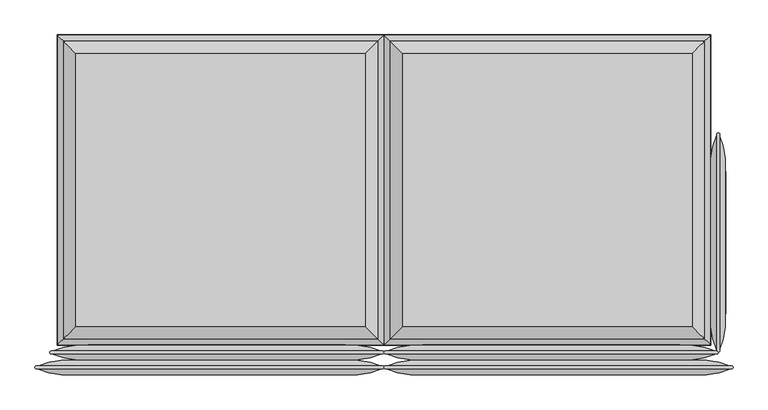
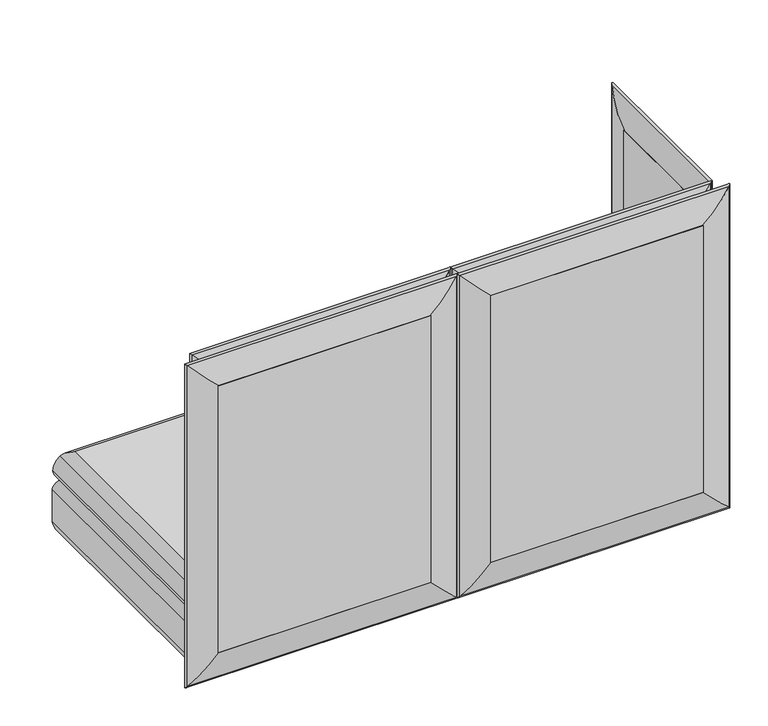
"""IFC4 building model written with IfcOpenShell, lengths in millimetres: furniture geometry."""

from ifc_helpers import new_model, si_unit, frame, origin, place, context, project, spatial, polyline, ellipse_curve, outline, extrude, source, transform, mapped, element, save
from ifc_brep_helpers import plane_surface, cylinder_surface, advanced_brep


def furniture_f035ea51(model_context):
    return source(origin(), model_context, "Body", "SolidModel", [
        advanced_brep(
        [(815.975, 403.225, 329.9006118), (-815.975, 403.225, 329.9006118), (-815.975, -352.425, 329.9006118), (815.975, -352.425, 329.9006118), (815.975, -352.425, 142.5756118), (-815.975, -352.425, 142.5756118), (-815.975, 403.225, 142.5756118), (815.975, 403.225, 142.5756118), (835.0111528, -371.4611528, 291.910987), (835.0111528, 422.2611528, 291.910987), (835.025, -371.475, 181.4038342), (835.025, 422.275, 181.4038342), (835.025, 422.275, 291.0723894), (835.025, -371.475, 291.0723894), (835.0111528, 422.2611528, 180.5652366), (835.0111528, -371.4611528, 180.5652366), (-835.0111528, 422.2611528, 291.910987), (-835.025, 422.275, 181.4038342), (-835.025, 422.275, 291.0723894), (-835.0111528, 422.2611528, 180.5652366), (-835.0111528, -371.4611528, 291.910987), (-835.025, -371.475, 181.4038342), (-835.025, -371.475, 291.0723894), (-835.0111528, -371.4611528, 180.5652366)],
        [
            (0, 1),
            (1, 2),
            (2, 3),
            (3, 0),
            (4, 5),
            (5, 6),
            (6, 7),
            (7, 4),
            (8, 9),
            (9, 0, ellipse_curve(frame((784.2388472, 371.4888472, 290.2337918), z_axis=(0.7071067811865475, -0.7071067811865475, 0.0), x_axis=(-0.7071067811865474, -0.7071067811865476, 0.0)), 71.842049, 50.8)),
            (3, 8, ellipse_curve(frame((784.2388472, -320.6888472, 290.2337918), z_axis=(0.7071067811865475, 0.7071067811865475, 0.0), x_axis=(0.7071067811865474, -0.7071067811865476, 0.0)), 71.842049, 50.8)),
            (10, 11),
            (11, 12),
            (12, 13),
            (13, 10),
            (7, 14, ellipse_curve(frame((784.2388472, 371.4888472, 182.2424317), z_axis=(0.7071067811865475, -0.7071067811865475, 0.0), x_axis=(-0.7071067811865474, -0.7071067811865476, 0.0)), 71.842049, 50.8)),
            (14, 15),
            (15, 4, ellipse_curve(frame((784.2388472, -320.6888472, 182.2424317), z_axis=(0.7071067811865475, 0.7071067811865475, 0.0), x_axis=(0.7071067811865474, -0.7071067811865476, 0.0)), 71.842049, 50.8)),
            (9, 16),
            (16, 1, ellipse_curve(frame((-784.2388472, 371.4888472, 290.2337918), z_axis=(0.7071067811865475, 0.7071067811865475, 0.0), x_axis=(0.7071067811865476, -0.7071067811865474, 0.0)), 71.842049, 50.8)),
            (11, 17),
            (17, 18),
            (18, 12),
            (6, 19, ellipse_curve(frame((-784.2388472, 371.4888472, 182.2424317), z_axis=(0.7071067811865475, 0.7071067811865475, 0.0), x_axis=(0.7071067811865476, -0.7071067811865474, 0.0)), 71.842049, 50.8)),
            (19, 14),
            (16, 20),
            (20, 2, ellipse_curve(frame((-784.2388472, -320.6888472, 290.2337918), z_axis=(-0.7071067811865475, 0.7071067811865475, 0.0), x_axis=(0.7071067811865474, 0.7071067811865476, 0.0)), 71.842049, 50.8)),
            (17, 21),
            (21, 22),
            (22, 18),
            (5, 23, ellipse_curve(frame((-784.2388472, -320.6888472, 182.2424317), z_axis=(-0.7071067811865475, 0.7071067811865475, 0.0), x_axis=(0.7071067811865474, 0.7071067811865476, 0.0)), 71.842049, 50.8)),
            (23, 19),
            (20, 8),
            (13, 22),
            (21, 10),
            (15, 23),
            (8, 13, ellipse_curve(frame((809.625, -346.075, 291.0723894), z_axis=(0.7071067811865475, 0.7071067811865475, 0.0), x_axis=(0.7071067811865474, -0.7071067811865476, 0.0)), 35.9210245, 25.4)),
            (12, 9, ellipse_curve(frame((809.625, 396.875, 291.0723894), z_axis=(0.7071067811865475, -0.7071067811865475, 0.0), x_axis=(-0.7071067811865474, -0.7071067811865476, 0.0)), 35.9210245, 25.4)),
            (10, 15, ellipse_curve(frame((809.625, -346.075, 181.4038342), z_axis=(0.7071067811865475, 0.7071067811865475, 0.0), x_axis=(0.7071067811865474, -0.7071067811865476, 0.0)), 35.9210245, 25.4)),
            (14, 11, ellipse_curve(frame((809.625, 396.875, 181.4038342), z_axis=(0.7071067811865475, -0.7071067811865475, 0.0), x_axis=(-0.7071067811865474, -0.7071067811865476, 0.0)), 35.9210245, 25.4)),
            (18, 16, ellipse_curve(frame((-809.625, 396.875, 291.0723894), z_axis=(0.7071067811865475, 0.7071067811865475, 0.0), x_axis=(0.7071067811865476, -0.7071067811865474, 0.0)), 35.9210245, 25.4)),
            (19, 17, ellipse_curve(frame((-809.625, 396.875, 181.4038342), z_axis=(0.7071067811865475, 0.7071067811865475, 0.0), x_axis=(0.7071067811865476, -0.7071067811865474, 0.0)), 35.9210245, 25.4)),
            (22, 20, ellipse_curve(frame((-809.625, -346.075, 291.0723894), z_axis=(-0.7071067811865475, 0.7071067811865475, 0.0), x_axis=(0.7071067811865474, 0.7071067811865476, 0.0)), 35.9210245, 25.4)),
            (23, 21, ellipse_curve(frame((-809.625, -346.075, 181.4038342), z_axis=(-0.7071067811865475, 0.7071067811865475, 0.0), x_axis=(0.7071067811865474, 0.7071067811865476, 0.0)), 35.9210245, 25.4)),
        ],
        [
            plane_surface(frame((-815.975, -352.425, 329.9006118), z_axis=(0.0, 0.0, 1.0), x_axis=(-1.0, 0.0, 0.0))),
            plane_surface(frame((-815.975, -352.425, 142.5756118), z_axis=(0.0, 0.0, -1.0), x_axis=(1.0, 0.0, 0.0))),
            cylinder_surface(frame((784.2388472, -371.475, 290.2337918), z_axis=(0.0, -1.0, 0.0), x_axis=(1.0, 0.0, 0.0)), 50.8),
            plane_surface(frame((835.025, -371.475, 291.0723894), z_axis=(1.0, 0.0, 0.0), x_axis=(0.0, 1.0, 0.0))),
            cylinder_surface(frame((784.2388472, -371.475, 182.2424317), z_axis=(0.0, -1.0, 0.0), x_axis=(1.0, 0.0, 0.0)), 50.8),
            cylinder_surface(frame((835.025, 371.4888472, 290.2337918), z_axis=(1.0, 0.0, 0.0), x_axis=(0.0, 1.0, 0.0)), 50.8),
            plane_surface(frame((835.025, 422.275, 291.0723894), z_axis=(0.0, 1.0, 0.0), x_axis=(-1.0, 0.0, 0.0))),
            cylinder_surface(frame((835.025, 371.4888472, 182.2424317), z_axis=(1.0, 0.0, 0.0), x_axis=(0.0, 1.0, 0.0)), 50.8),
            cylinder_surface(frame((-784.2388472, 422.275, 290.2337918), z_axis=(0.0, 1.0, 0.0), x_axis=(-1.0, 0.0, 0.0)), 50.8),
            plane_surface(frame((-835.025, 422.275, 291.0723894), z_axis=(-1.0, 0.0, 0.0), x_axis=(0.0, -1.0, 0.0))),
            cylinder_surface(frame((-784.2388472, 422.275, 182.2424317), z_axis=(0.0, 1.0, 0.0), x_axis=(-1.0, 0.0, 0.0)), 50.8),
            cylinder_surface(frame((-835.025, -320.6888472, 290.2337918), z_axis=(-1.0, 0.0, 0.0), x_axis=(0.0, -1.0, 0.0)), 50.8),
            plane_surface(frame((-835.025, -371.475, 291.0723894), z_axis=(0.0, -1.0, 0.0), x_axis=(1.0, 0.0, 0.0))),
            cylinder_surface(frame((-835.025, -320.6888472, 182.2424317), z_axis=(-1.0, 0.0, 0.0), x_axis=(0.0, -1.0, 0.0)), 50.8),
            cylinder_surface(frame((809.625, -371.475, 291.0723894), z_axis=(0.0, -1.0, 0.0), x_axis=(1.0, 0.0, 0.0)), 25.4),
            cylinder_surface(frame((809.625, -371.475, 181.4038342), z_axis=(0.0, -1.0, 0.0), x_axis=(1.0, 0.0, 0.0)), 25.4),
            cylinder_surface(frame((835.025, 396.875, 291.0723894), z_axis=(1.0, 0.0, 0.0), x_axis=(0.0, 1.0, 0.0)), 25.4),
            cylinder_surface(frame((835.025, 396.875, 181.4038342), z_axis=(1.0, 0.0, 0.0), x_axis=(0.0, 1.0, 0.0)), 25.4),
            cylinder_surface(frame((-809.625, 422.275, 291.0723894), z_axis=(0.0, 1.0, 0.0), x_axis=(-1.0, 0.0, 0.0)), 25.4),
            cylinder_surface(frame((-809.625, 422.275, 181.4038342), z_axis=(0.0, 1.0, 0.0), x_axis=(-1.0, 0.0, 0.0)), 25.4),
            cylinder_surface(frame((-835.025, -346.075, 291.0723894), z_axis=(-1.0, 0.0, 0.0), x_axis=(0.0, -1.0, 0.0)), 25.4),
            cylinder_surface(frame((-835.025, -346.075, 181.4038342), z_axis=(-1.0, 0.0, 0.0), x_axis=(0.0, -1.0, 0.0)), 25.4),
        ],
        [
            (0, [[1, 2, 3, 4]]),
            (1, [[5, 6, 7, 8]]),
            (2, [[9, 10, -4, 11]]),
            (3, [[12, 13, 14, 15]]),
            (4, [[-8, 16, 17, 18]]),
            (5, [[19, 20, -1, -10]]),
            (6, [[21, 22, 23, -13]]),
            (7, [[-7, 24, 25, -16]]),
            (8, [[26, 27, -2, -20]]),
            (9, [[28, 29, 30, -22]]),
            (10, [[-6, 31, 32, -24]]),
            (11, [[-3, -27, 33, -11]]),
            (12, [[34, -29, 35, -15]]),
            (13, [[36, -31, -5, -18]]),
            (14, [[37, -14, 38, -9]]),
            (15, [[39, -17, 40, -12]]),
            (16, [[-38, -23, 41, -19]]),
            (17, [[-40, -25, 42, -21]]),
            (18, [[-41, -30, 43, -26]]),
            (19, [[-42, -32, 44, -28]]),
            (20, [[-43, -34, -37, -33]]),
            (21, [[-44, -36, -39, -35]]),
        ],
    ),
        advanced_brep(
        [(808.5131705, 395.7631705, 330.2), (808.5131705, -344.9631705, 330.2), (26.5118295, -344.9631705, 330.2), (26.5118295, 395.7631705, 330.2), (833.9111903, 421.1611903, 355.9171647), (833.9111903, -370.3611903, 355.9171647), (1.1138097, 421.1611903, 355.9171647), (1.1138097, -370.3611903, 355.9171647), (787.4, 374.65, 434.975), (47.625, 374.65, 434.975), (47.625, -323.85, 434.975), (787.4, -323.85, 434.975), (818.6566677, -355.1066677, 412.0276231), (818.6566677, 405.9066677, 412.0276231), (16.3683323, 405.9066677, 412.0276231), (16.3683323, -355.1066677, 412.0276231)],
        [
            (0, 1),
            (1, 2),
            (2, 3),
            (3, 0),
            (0, 4, ellipse_curve(frame((808.5131705, 395.7631705, 355.6), z_axis=(0.7071067811865471, -0.7071067811865478, 0.0), x_axis=(-0.7071067811865476, -0.7071067811865474, 0.0)), 35.9210245, 25.4)),
            (4, 5),
            (5, 1, ellipse_curve(frame((808.5131705, -344.9631705, 355.6), z_axis=(0.7071067811865478, 0.7071067811865471, 0.0), x_axis=(0.707106781186547, -0.707106781186548, 0.0)), 35.9210245, 25.4)),
            (3, 6, ellipse_curve(frame((26.5118295, 395.7631705, 355.6), z_axis=(0.7071067811865478, 0.7071067811865471, 0.0), x_axis=(0.7071067811865474, -0.7071067811865476, 0.0)), 35.9210245, 25.4)),
            (6, 4),
            (2, 7, ellipse_curve(frame((26.5118295, -344.9631705, 355.6), z_axis=(-0.7071067811865471, 0.7071067811865478, 0.0), x_axis=(0.7071067811865476, 0.7071067811865474, 0.0)), 35.9210245, 25.4)),
            (7, 6),
            (5, 7),
            (8, 9),
            (9, 10),
            (10, 11),
            (11, 8),
            (12, 13),
            (13, 8, ellipse_curve(frame((777.2731381, 364.5231381, 388.4201083), z_axis=(0.7071067811865471, -0.7071067811865478, 0.0), x_axis=(-0.7071067811865476, -0.7071067811865474, 0.0)), 67.3782053, 47.6435859)),
            (11, 12, ellipse_curve(frame((777.2731381, -313.7231381, 388.4201083), z_axis=(0.7071067811865478, 0.7071067811865471, 0.0), x_axis=(0.707106781186547, -0.707106781186548, 0.0)), 67.3782053, 47.6435859)),
            (4, 13, ellipse_curve(frame((717.7532966, 305.0032966, 354.4666114), z_axis=(0.7071067811865471, -0.7071067811865478, 0.0), x_axis=(-0.7071067811865476, -0.7071067811865474, 0.0)), 164.2848767, 116.1669504)),
            (12, 5, ellipse_curve(frame((717.7532966, -254.2032966, 354.4666114), z_axis=(0.7071067811865478, 0.7071067811865471, 0.0), x_axis=(0.707106781186547, -0.707106781186548, 0.0)), 164.2848767, 116.1669504)),
            (13, 14),
            (14, 9, ellipse_curve(frame((57.7518619, 364.5231381, 388.4201083), z_axis=(0.7071067811865478, 0.7071067811865471, 0.0), x_axis=(0.7071067811865474, -0.7071067811865476, 0.0)), 67.3782053, 47.6435859)),
            (6, 14, ellipse_curve(frame((117.2717034, 305.0032966, 354.4666114), z_axis=(0.7071067811865478, 0.7071067811865471, 0.0), x_axis=(0.7071067811865474, -0.7071067811865476, 0.0)), 164.2848767, 116.1669504)),
            (14, 15),
            (15, 10, ellipse_curve(frame((57.7518619, -313.7231381, 388.4201083), z_axis=(-0.7071067811865471, 0.7071067811865478, 0.0), x_axis=(0.7071067811865476, 0.7071067811865474, 0.0)), 67.3782053, 47.6435859)),
            (7, 15, ellipse_curve(frame((117.2717034, -254.2032966, 354.4666114), z_axis=(-0.7071067811865471, 0.7071067811865478, 0.0), x_axis=(0.7071067811865476, 0.7071067811865474, 0.0)), 164.2848767, 116.1669504)),
            (15, 12),
        ],
        [
            plane_surface(frame((26.5118295, -344.9631705, 330.2), z_axis=(0.0, 0.0, -1.0), x_axis=(1.0, 0.0, 0.0))),
            cylinder_surface(frame((808.5131705, -371.475, 355.6), z_axis=(0.0, -1.0000000000000002, 0.0), x_axis=(1.0000000000000002, 0.0, 0.0)), 25.4),
            cylinder_surface(frame((835.025, 395.7631705, 355.6), z_axis=(1.0000000000000002, 0.0, 0.0), x_axis=(0.0, 1.0000000000000002, 0.0)), 25.4),
            cylinder_surface(frame((26.5118295, 422.275, 355.6), z_axis=(0.0, 1.0000000000000002, 0.0), x_axis=(-1.0000000000000002, 0.0, 0.0)), 25.4),
            cylinder_surface(frame((0.0, -344.9631705, 355.6), z_axis=(-1.0000000000000002, 0.0, 0.0), x_axis=(0.0, -1.0000000000000002, 0.0)), 25.4),
            plane_surface(frame((47.625, -323.85, 434.975), z_axis=(0.0, 0.0, 1.0), x_axis=(-1.0, 0.0, 0.0))),
            cylinder_surface(frame((777.2731381, -371.475, 388.4201083), z_axis=(0.0, -1.0000000000000002, 0.0), x_axis=(1.0000000000000002, 0.0, 0.0)), 47.6435859),
            cylinder_surface(frame((717.7532966, -371.475, 354.4666114), z_axis=(0.0, -1.0000000000000002, 0.0), x_axis=(1.0000000000000002, 0.0, 0.0)), 116.1669504),
            cylinder_surface(frame((835.025, 364.5231381, 388.4201083), z_axis=(1.0000000000000002, 0.0, 0.0), x_axis=(0.0, 1.0000000000000002, 0.0)), 47.6435859),
            cylinder_surface(frame((835.025, 305.0032966, 354.4666114), z_axis=(1.0000000000000002, 0.0, 0.0), x_axis=(0.0, 1.0000000000000002, 0.0)), 116.1669504),
            cylinder_surface(frame((57.7518619, 422.275, 388.4201083), z_axis=(0.0, 1.0000000000000002, 0.0), x_axis=(-1.0000000000000002, 0.0, 0.0)), 47.6435859),
            cylinder_surface(frame((117.2717034, 422.275, 354.4666114), z_axis=(0.0, 1.0000000000000002, 0.0), x_axis=(-1.0000000000000002, 0.0, 0.0)), 116.1669504),
            cylinder_surface(frame((0.0, -313.7231381, 388.4201083), z_axis=(-1.0000000000000002, 0.0, 0.0), x_axis=(0.0, -1.0000000000000002, 0.0)), 47.6435859),
            cylinder_surface(frame((0.0, -254.2032966, 354.4666114), z_axis=(-1.0000000000000002, 0.0, 0.0), x_axis=(0.0, -1.0000000000000002, 0.0)), 116.1669504),
        ],
        [
            (0, [[1, 2, 3, 4]]),
            (1, [[5, 6, 7, -1]]),
            (2, [[8, 9, -5, -4]]),
            (3, [[10, 11, -8, -3]]),
            (4, [[-7, 12, -10, -2]]),
            (5, [[13, 14, 15, 16]]),
            (6, [[17, 18, -16, 19]]),
            (7, [[20, -17, 21, -6]]),
            (8, [[22, 23, -13, -18]]),
            (9, [[24, -22, -20, -9]]),
            (10, [[25, 26, -14, -23]]),
            (11, [[27, -25, -24, -11]]),
            (12, [[-15, -26, 28, -19]]),
            (13, [[-21, -28, -27, -12]]),
        ],
    ),
        advanced_brep(
        [(-26.5118295, 395.7631705, 330.2), (-26.5118295, -344.9631705, 330.2), (-808.5131705, -344.9631705, 330.2), (-808.5131705, 395.7631705, 330.2), (-1.1138097, 421.1611903, 355.9171647), (-1.1138097, -370.3611903, 355.9171647), (-833.9111903, 421.1611903, 355.9171647), (-833.9111903, -370.3611903, 355.9171647), (-47.625, 374.65, 434.975), (-787.4, 374.65, 434.975), (-787.4, -323.85, 434.975), (-47.625, -323.85, 434.975), (-16.3683323, -355.1066677, 412.0276231), (-16.3683323, 405.9066677, 412.0276231), (-818.6566677, 405.9066677, 412.0276231), (-818.6566677, -355.1066677, 412.0276231)],
        [
            (0, 1),
            (1, 2),
            (2, 3),
            (3, 0),
            (0, 4, ellipse_curve(frame((-26.5118295, 395.7631705, 355.6), z_axis=(0.7071067811865471, -0.7071067811865478, 0.0), x_axis=(-0.7071067811865476, -0.7071067811865474, 0.0)), 35.9210245, 25.4)),
            (4, 5),
            (5, 1, ellipse_curve(frame((-26.5118295, -344.9631705, 355.6), z_axis=(0.7071067811865478, 0.7071067811865471, 0.0), x_axis=(0.707106781186547, -0.707106781186548, 0.0)), 35.9210245, 25.4)),
            (3, 6, ellipse_curve(frame((-808.5131705, 395.7631705, 355.6), z_axis=(0.7071067811865478, 0.7071067811865471, 0.0), x_axis=(0.7071067811865474, -0.7071067811865476, 0.0)), 35.9210245, 25.4)),
            (6, 4),
            (2, 7, ellipse_curve(frame((-808.5131705, -344.9631705, 355.6), z_axis=(-0.7071067811865471, 0.7071067811865478, 0.0), x_axis=(0.7071067811865476, 0.7071067811865474, 0.0)), 35.9210245, 25.4)),
            (7, 6),
            (5, 7),
            (8, 9),
            (9, 10),
            (10, 11),
            (11, 8),
            (12, 13),
            (13, 8, ellipse_curve(frame((-57.7518619, 364.5231381, 388.4201083), z_axis=(0.7071067811865471, -0.7071067811865478, 0.0), x_axis=(-0.7071067811865476, -0.7071067811865474, 0.0)), 67.3782053, 47.6435859)),
            (11, 12, ellipse_curve(frame((-57.7518619, -313.7231381, 388.4201083), z_axis=(0.7071067811865478, 0.7071067811865471, 0.0), x_axis=(0.707106781186547, -0.707106781186548, 0.0)), 67.3782053, 47.6435859)),
            (4, 13, ellipse_curve(frame((-117.2717034, 305.0032966, 354.4666114), z_axis=(0.7071067811865471, -0.7071067811865478, 0.0), x_axis=(-0.7071067811865476, -0.7071067811865474, 0.0)), 164.2848767, 116.1669504)),
            (12, 5, ellipse_curve(frame((-117.2717034, -254.2032966, 354.4666114), z_axis=(0.7071067811865478, 0.7071067811865471, 0.0), x_axis=(0.707106781186547, -0.707106781186548, 0.0)), 164.2848767, 116.1669504)),
            (13, 14),
            (14, 9, ellipse_curve(frame((-777.2731381, 364.5231381, 388.4201083), z_axis=(0.7071067811865478, 0.7071067811865471, 0.0), x_axis=(0.7071067811865474, -0.7071067811865476, 0.0)), 67.3782053, 47.6435859)),
            (6, 14, ellipse_curve(frame((-717.7532966, 305.0032966, 354.4666114), z_axis=(0.7071067811865478, 0.7071067811865471, 0.0), x_axis=(0.7071067811865474, -0.7071067811865476, 0.0)), 164.2848767, 116.1669504)),
            (14, 15),
            (15, 10, ellipse_curve(frame((-777.2731381, -313.7231381, 388.4201083), z_axis=(-0.7071067811865471, 0.7071067811865478, 0.0), x_axis=(0.7071067811865476, 0.7071067811865474, 0.0)), 67.3782053, 47.6435859)),
            (7, 15, ellipse_curve(frame((-717.7532966, -254.2032966, 354.4666114), z_axis=(-0.7071067811865471, 0.7071067811865478, 0.0), x_axis=(0.7071067811865476, 0.7071067811865474, 0.0)), 164.2848767, 116.1669504)),
            (15, 12),
        ],
        [
            plane_surface(frame((-808.5131705, -344.9631705, 330.2), z_axis=(0.0, 0.0, -1.0), x_axis=(1.0, 0.0, 0.0))),
            cylinder_surface(frame((-26.5118295, -371.475, 355.6), z_axis=(0.0, -1.0000000000000002, 0.0), x_axis=(1.0000000000000002, 0.0, 0.0)), 25.4),
            cylinder_surface(frame((0.0, 395.7631705, 355.6), z_axis=(1.0000000000000002, 0.0, 0.0), x_axis=(0.0, 1.0000000000000002, 0.0)), 25.4),
            cylinder_surface(frame((-808.5131705, 422.275, 355.6), z_axis=(0.0, 1.0000000000000002, 0.0), x_axis=(-1.0000000000000002, 0.0, 0.0)), 25.4),
            cylinder_surface(frame((-835.025, -344.9631705, 355.6), z_axis=(-1.0000000000000002, 0.0, 0.0), x_axis=(0.0, -1.0000000000000002, 0.0)), 25.4),
            plane_surface(frame((-787.4, -323.85, 434.975), z_axis=(0.0, 0.0, 1.0), x_axis=(-1.0, 0.0, 0.0))),
            cylinder_surface(frame((-57.7518619, -371.475, 388.4201083), z_axis=(0.0, -1.0000000000000002, 0.0), x_axis=(1.0000000000000002, 0.0, 0.0)), 47.6435859),
            cylinder_surface(frame((-117.2717034, -371.475, 354.4666114), z_axis=(0.0, -1.0000000000000002, 0.0), x_axis=(1.0000000000000002, 0.0, 0.0)), 116.1669504),
            cylinder_surface(frame((0.0, 364.5231381, 388.4201083), z_axis=(1.0000000000000002, 0.0, 0.0), x_axis=(0.0, 1.0000000000000002, 0.0)), 47.6435859),
            cylinder_surface(frame((0.0, 305.0032966, 354.4666114), z_axis=(1.0000000000000002, 0.0, 0.0), x_axis=(0.0, 1.0000000000000002, 0.0)), 116.1669504),
            cylinder_surface(frame((-777.2731381, 422.275, 388.4201083), z_axis=(0.0, 1.0000000000000002, 0.0), x_axis=(-1.0000000000000002, 0.0, 0.0)), 47.6435859),
            cylinder_surface(frame((-717.7532966, 422.275, 354.4666114), z_axis=(0.0, 1.0000000000000002, 0.0), x_axis=(-1.0000000000000002, 0.0, 0.0)), 116.1669504),
            cylinder_surface(frame((-835.025, -313.7231381, 388.4201083), z_axis=(-1.0000000000000002, 0.0, 0.0), x_axis=(0.0, -1.0000000000000002, 0.0)), 47.6435859),
            cylinder_surface(frame((-835.025, -254.2032966, 354.4666114), z_axis=(-1.0000000000000002, 0.0, 0.0), x_axis=(0.0, -1.0000000000000002, 0.0)), 116.1669504),
        ],
        [
            (0, [[1, 2, 3, 4]]),
            (1, [[5, 6, 7, -1]]),
            (2, [[8, 9, -5, -4]]),
            (3, [[10, 11, -8, -3]]),
            (4, [[-7, 12, -10, -2]]),
            (5, [[13, 14, 15, 16]]),
            (6, [[17, 18, -16, 19]]),
            (7, [[20, -17, 21, -6]]),
            (8, [[22, 23, -13, -18]]),
            (9, [[24, -22, -20, -9]]),
            (10, [[25, 26, -14, -23]]),
            (11, [[27, -25, -24, -11]]),
            (12, [[-15, -26, 28, -19]]),
            (13, [[-21, -28, -27, -12]]),
        ],
    ),
        advanced_brep(
        [(98.425, -410.5220019, 1163.5628297), (98.425, -410.5220019, 238.959069), (5.2936683, -425.266915, 145.8277373), (5.2936683, -425.266915, 1256.6941614), (98.425, -446.7279981, 1163.5628297), (98.425, -446.7279981, 238.959069), (5.2936683, -431.983085, 1256.6941614), (5.2936683, -431.983085, 145.8277373), (793.75, -410.5220019, 238.959069), (886.8813317, -425.266915, 145.8277373), (793.75, -446.7279981, 238.959069), (886.8813317, -431.983085, 145.8277373), (793.75, -410.5220019, 1163.5628297), (886.8813317, -425.266915, 1256.6941614), (793.75, -446.7279981, 1163.5628297), (886.8813317, -431.983085, 1256.6941614)],
        [
            (0, 1),
            (1, 2, ellipse_curve(frame((79.7282714, -593.9193158, 220.2623404), z_axis=(-0.7071067811865475, 0.0, 0.7071067811865475), x_axis=(0.7071067811865474, 0.0, 0.7071067811865476)), 260.707278, 184.3478842)),
            (2, 3),
            (3, 0, ellipse_curve(frame((79.7282714, -593.9193158, 1182.2595584), z_axis=(-0.7071067811865475, 0.0, -0.7071067811865475), x_axis=(-0.7071067811865474, 0.0, 0.7071067811865476)), 260.707278, 184.3478842)),
            (4, 5),
            (5, 1),
            (0, 4),
            (6, 7),
            (7, 5, ellipse_curve(frame((79.7282714, -263.3306842, 220.2623404), z_axis=(-0.7071067811865475, 0.0, 0.7071067811865475), x_axis=(0.7071067811865474, 0.0, 0.7071067811865476)), 260.707278, 184.3478842)),
            (4, 6, ellipse_curve(frame((79.7282714, -263.3306842, 1182.2595584), z_axis=(-0.7071067811865475, 0.0, -0.7071067811865475), x_axis=(-0.7071067811865474, 0.0, 0.7071067811865476)), 260.707278, 184.3478842)),
            (2, 7, ellipse_curve(frame((3.6755545, -428.625, 144.2096235), z_axis=(-0.7071067811865475, 0.0, 0.7071067811865475), x_axis=(0.7071067811865474, 0.0, 0.7071067811865476)), 5.2716273, 3.7276034)),
            (6, 3, ellipse_curve(frame((3.6755545, -428.625, 1258.3122753), z_axis=(-0.7071067811865475, 0.0, -0.7071067811865475), x_axis=(-0.7071067811865474, 0.0, 0.7071067811865476)), 5.2716273, 3.7276034)),
            (1, 8),
            (8, 9, ellipse_curve(frame((812.4467286, -593.9193158, 220.2623404), z_axis=(-0.7071067811865475, 0.0, -0.7071067811865475), x_axis=(-0.7071067811865476, 0.0, 0.7071067811865474)), 260.707278, 184.3478842)),
            (9, 2),
            (5, 10),
            (10, 8),
            (7, 11),
            (11, 10, ellipse_curve(frame((812.4467286, -263.3306842, 220.2623404), z_axis=(-0.7071067811865475, 0.0, -0.7071067811865475), x_axis=(-0.7071067811865476, 0.0, 0.7071067811865474)), 260.707278, 184.3478842)),
            (9, 11, ellipse_curve(frame((888.4994455, -428.625, 144.2096235), z_axis=(-0.7071067811865475, 0.0, -0.7071067811865475), x_axis=(-0.7071067811865476, 0.0, 0.7071067811865474)), 5.2716273, 3.7276034)),
            (8, 12),
            (12, 13, ellipse_curve(frame((812.4467286, -593.9193158, 1182.2595584), z_axis=(0.7071067811865475, 0.0, -0.7071067811865475), x_axis=(-0.7071067811865474, 0.0, -0.7071067811865476)), 260.707278, 184.3478842)),
            (13, 9),
            (10, 14),
            (14, 12),
            (11, 15),
            (15, 14, ellipse_curve(frame((812.4467286, -263.3306842, 1182.2595584), z_axis=(0.7071067811865475, 0.0, -0.7071067811865475), x_axis=(-0.7071067811865474, 0.0, -0.7071067811865476)), 260.707278, 184.3478842)),
            (13, 15, ellipse_curve(frame((888.4994455, -428.625, 1258.3122753), z_axis=(0.7071067811865475, 0.0, -0.7071067811865475), x_axis=(-0.7071067811865474, 0.0, -0.7071067811865476)), 5.2716273, 3.7276034)),
            (12, 0),
            (3, 13),
            (14, 4),
            (15, 6),
        ],
        [
            cylinder_surface(frame((79.7282714, -593.9193158, 1163.5628297), z_axis=(0.0, 0.0, 1.0), x_axis=(0.0, 1.0000000000000002, 0.0)), 184.3478842),
            plane_surface(frame((98.425, -410.5220019, 1163.5628297), z_axis=(1.0, 0.0, 0.0), x_axis=(0.0, 0.0, -1.0))),
            cylinder_surface(frame((79.7282714, -263.3306842, 1163.5628297), z_axis=(0.0, 0.0, 1.0), x_axis=(0.0, 1.0000000000000002, 0.0)), 184.3478842),
            cylinder_surface(frame((3.6755545, -428.625, 1163.5628297), z_axis=(0.0, 0.0, 1.0), x_axis=(0.0, 1.0000000000000002, 0.0)), 3.7276034),
            cylinder_surface(frame((98.425, -593.9193158, 220.2623404), z_axis=(-1.0000000000000002, 0.0, 0.0), x_axis=(0.0, 1.0000000000000002, 0.0)), 184.3478842),
            plane_surface(frame((98.425, -410.5220019, 238.959069), z_axis=(0.0, 0.0, 1.0), x_axis=(1.0, 0.0, 0.0))),
            cylinder_surface(frame((98.425, -263.3306842, 220.2623404), z_axis=(-1.0000000000000002, 0.0, 0.0), x_axis=(0.0, 1.0000000000000002, 0.0)), 184.3478842),
            cylinder_surface(frame((98.425, -428.625, 144.2096235), z_axis=(-1.0000000000000002, 0.0, 0.0), x_axis=(0.0, 1.0000000000000002, 0.0)), 3.7276034),
            cylinder_surface(frame((812.4467286, -593.9193158, 238.959069), z_axis=(0.0, 0.0, -1.0), x_axis=(0.0, 1.0000000000000002, 0.0)), 184.3478842),
            plane_surface(frame((793.75, -410.5220019, 238.959069), z_axis=(-1.0, 0.0, 0.0), x_axis=(0.0, 0.0, 1.0))),
            cylinder_surface(frame((812.4467286, -263.3306842, 238.959069), z_axis=(0.0, 0.0, -1.0), x_axis=(0.0, 1.0000000000000002, 0.0)), 184.3478842),
            cylinder_surface(frame((888.4994455, -428.625, 238.959069), z_axis=(0.0, 0.0, -1.0), x_axis=(0.0, 1.0000000000000002, 0.0)), 3.7276034),
            cylinder_surface(frame((793.75, -593.9193158, 1182.2595584), z_axis=(1.0000000000000002, 0.0, 0.0), x_axis=(0.0, 1.0000000000000002, 0.0)), 184.3478842),
            plane_surface(frame((793.75, -410.5220019, 1163.5628297), z_axis=(0.0, 0.0, -1.0), x_axis=(-1.0, 0.0, 0.0))),
            cylinder_surface(frame((793.75, -263.3306842, 1182.2595584), z_axis=(1.0000000000000002, 0.0, 0.0), x_axis=(0.0, 1.0000000000000002, 0.0)), 184.3478842),
            cylinder_surface(frame((793.75, -428.625, 1258.3122753), z_axis=(1.0000000000000002, 0.0, 0.0), x_axis=(0.0, 1.0000000000000002, 0.0)), 3.7276034),
        ],
        [
            (0, [[1, 2, 3, 4]]),
            (1, [[5, 6, -1, 7]]),
            (2, [[8, 9, -5, 10]]),
            (3, [[-3, 11, -8, 12]]),
            (4, [[13, 14, 15, -2]]),
            (5, [[16, 17, -13, -6]]),
            (6, [[18, 19, -16, -9]]),
            (7, [[-15, 20, -18, -11]]),
            (8, [[21, 22, 23, -14]]),
            (9, [[24, 25, -21, -17]]),
            (10, [[26, 27, -24, -19]]),
            (11, [[-23, 28, -26, -20]]),
            (12, [[29, -4, 30, -22]]),
            (13, [[31, -7, -29, -25]]),
            (14, [[32, -10, -31, -27]]),
            (15, [[-30, -12, -32, -28]]),
        ],
    ),
        extrude(outline(polyline([(793.75, -447.675), (98.425, -447.675), (98.425, -409.575), (793.75, -409.575), (793.75, -447.675)])), frame((0.0, 0.0, 238.959069), z_axis=(0.0, 0.0, 1.0), x_axis=(1.0, 0.0, 0.0)), (0.0, 0.0, 1.0), 924.6037607),
        advanced_brep(
        [(98.425, -372.4220019, 1163.5628297), (98.425, -372.4220019, 238.959069), (5.2936683, -387.166915, 145.8277373), (5.2936683, -387.166915, 1256.6941614), (98.425, -408.6279981, 1163.5628297), (98.425, -408.6279981, 238.959069), (5.2936683, -393.883085, 1256.6941614), (5.2936683, -393.883085, 145.8277373), (755.65, -372.4220019, 238.959069), (848.7813317, -387.166915, 145.8277373), (755.65, -408.6279981, 238.959069), (848.7813317, -393.883085, 145.8277373), (755.65, -372.4220019, 1163.5628297), (848.7813317, -387.166915, 1256.6941614), (755.65, -408.6279981, 1163.5628297), (848.7813317, -393.883085, 1256.6941614)],
        [
            (0, 1),
            (1, 2, ellipse_curve(frame((79.7282714, -555.8193158, 220.2623404), z_axis=(-0.7071067811865475, 0.0, 0.7071067811865475), x_axis=(0.7071067811865474, 0.0, 0.7071067811865476)), 260.707278, 184.3478842)),
            (2, 3),
            (3, 0, ellipse_curve(frame((79.7282714, -555.8193158, 1182.2595584), z_axis=(-0.7071067811865475, 0.0, -0.7071067811865475), x_axis=(-0.7071067811865474, 0.0, 0.7071067811865476)), 260.707278, 184.3478842)),
            (4, 5),
            (5, 1),
            (0, 4),
            (6, 7),
            (7, 5, ellipse_curve(frame((79.7282714, -225.2306842, 220.2623404), z_axis=(-0.7071067811865475, 0.0, 0.7071067811865475), x_axis=(0.7071067811865474, 0.0, 0.7071067811865476)), 260.707278, 184.3478842)),
            (4, 6, ellipse_curve(frame((79.7282714, -225.2306842, 1182.2595584), z_axis=(-0.7071067811865475, 0.0, -0.7071067811865475), x_axis=(-0.7071067811865474, 0.0, 0.7071067811865476)), 260.707278, 184.3478842)),
            (2, 7, ellipse_curve(frame((3.6755545, -390.525, 144.2096235), z_axis=(-0.7071067811865475, 0.0, 0.7071067811865475), x_axis=(0.7071067811865474, 0.0, 0.7071067811865476)), 5.2716273, 3.7276034)),
            (6, 3, ellipse_curve(frame((3.6755545, -390.525, 1258.3122753), z_axis=(-0.7071067811865475, 0.0, -0.7071067811865475), x_axis=(-0.7071067811865474, 0.0, 0.7071067811865476)), 5.2716273, 3.7276034)),
            (1, 8),
            (8, 9, ellipse_curve(frame((774.3467286, -555.8193158, 220.2623404), z_axis=(-0.7071067811865475, 0.0, -0.7071067811865475), x_axis=(-0.7071067811865476, 0.0, 0.7071067811865474)), 260.707278, 184.3478842)),
            (9, 2),
            (5, 10),
            (10, 8),
            (7, 11),
            (11, 10, ellipse_curve(frame((774.3467286, -225.2306842, 220.2623404), z_axis=(-0.7071067811865475, 0.0, -0.7071067811865475), x_axis=(-0.7071067811865476, 0.0, 0.7071067811865474)), 260.707278, 184.3478842)),
            (9, 11, ellipse_curve(frame((850.3994455, -390.525, 144.2096235), z_axis=(-0.7071067811865475, 0.0, -0.7071067811865475), x_axis=(-0.7071067811865476, 0.0, 0.7071067811865474)), 5.2716273, 3.7276034)),
            (8, 12),
            (12, 13, ellipse_curve(frame((774.3467286, -555.8193158, 1182.2595584), z_axis=(0.7071067811865475, 0.0, -0.7071067811865475), x_axis=(-0.7071067811865474, 0.0, -0.7071067811865476)), 260.707278, 184.3478842)),
            (13, 9),
            (10, 14),
            (14, 12),
            (11, 15),
            (15, 14, ellipse_curve(frame((774.3467286, -225.2306842, 1182.2595584), z_axis=(0.7071067811865475, 0.0, -0.7071067811865475), x_axis=(-0.7071067811865474, 0.0, -0.7071067811865476)), 260.707278, 184.3478842)),
            (13, 15, ellipse_curve(frame((850.3994455, -390.525, 1258.3122753), z_axis=(0.7071067811865475, 0.0, -0.7071067811865475), x_axis=(-0.7071067811865474, 0.0, -0.7071067811865476)), 5.2716273, 3.7276034)),
            (12, 0),
            (3, 13),
            (14, 4),
            (15, 6),
        ],
        [
            cylinder_surface(frame((79.7282714, -555.8193158, 1163.5628297), z_axis=(0.0, 0.0, 1.0), x_axis=(0.0, 1.0000000000000002, 0.0)), 184.3478842),
            plane_surface(frame((98.425, -372.4220019, 1163.5628297), z_axis=(1.0, 0.0, 0.0), x_axis=(0.0, 0.0, -1.0))),
            cylinder_surface(frame((79.7282714, -225.2306842, 1163.5628297), z_axis=(0.0, 0.0, 1.0), x_axis=(0.0, 1.0000000000000002, 0.0)), 184.3478842),
            cylinder_surface(frame((3.6755545, -390.525, 1163.5628297), z_axis=(0.0, 0.0, 1.0), x_axis=(0.0, 1.0000000000000002, 0.0)), 3.7276034),
            cylinder_surface(frame((98.425, -555.8193158, 220.2623404), z_axis=(-1.0000000000000002, 0.0, 0.0), x_axis=(0.0, 1.0000000000000002, 0.0)), 184.3478842),
            plane_surface(frame((98.425, -372.4220019, 238.959069), z_axis=(0.0, 0.0, 1.0), x_axis=(1.0, 0.0, 0.0))),
            cylinder_surface(frame((98.425, -225.2306842, 220.2623404), z_axis=(-1.0000000000000002, 0.0, 0.0), x_axis=(0.0, 1.0000000000000002, 0.0)), 184.3478842),
            cylinder_surface(frame((98.425, -390.525, 144.2096235), z_axis=(-1.0000000000000002, 0.0, 0.0), x_axis=(0.0, 1.0000000000000002, 0.0)), 3.7276034),
            cylinder_surface(frame((774.3467286, -555.8193158, 238.959069), z_axis=(0.0, 0.0, -1.0), x_axis=(0.0, 1.0000000000000002, 0.0)), 184.3478842),
            plane_surface(frame((755.65, -372.4220019, 238.959069), z_axis=(-1.0, 0.0, 0.0), x_axis=(0.0, 0.0, 1.0))),
            cylinder_surface(frame((774.3467286, -225.2306842, 238.959069), z_axis=(0.0, 0.0, -1.0), x_axis=(0.0, 1.0000000000000002, 0.0)), 184.3478842),
            cylinder_surface(frame((850.3994455, -390.525, 238.959069), z_axis=(0.0, 0.0, -1.0), x_axis=(0.0, 1.0000000000000002, 0.0)), 3.7276034),
            cylinder_surface(frame((755.65, -555.8193158, 1182.2595584), z_axis=(1.0000000000000002, 0.0, 0.0), x_axis=(0.0, 1.0000000000000002, 0.0)), 184.3478842),
            plane_surface(frame((755.65, -372.4220019, 1163.5628297), z_axis=(0.0, 0.0, -1.0), x_axis=(-1.0, 0.0, 0.0))),
            cylinder_surface(frame((755.65, -225.2306842, 1182.2595584), z_axis=(1.0000000000000002, 0.0, 0.0), x_axis=(0.0, 1.0000000000000002, 0.0)), 184.3478842),
            cylinder_surface(frame((755.65, -390.525, 1258.3122753), z_axis=(1.0000000000000002, 0.0, 0.0), x_axis=(0.0, 1.0000000000000002, 0.0)), 3.7276034),
        ],
        [
            (0, [[1, 2, 3, 4]]),
            (1, [[5, 6, -1, 7]]),
            (2, [[8, 9, -5, 10]]),
            (3, [[-3, 11, -8, 12]]),
            (4, [[13, 14, 15, -2]]),
            (5, [[16, 17, -13, -6]]),
            (6, [[18, 19, -16, -9]]),
            (7, [[-15, 20, -18, -11]]),
            (8, [[21, 22, 23, -14]]),
            (9, [[24, 25, -21, -17]]),
            (10, [[26, 27, -24, -19]]),
            (11, [[-23, 28, -26, -20]]),
            (12, [[29, -4, 30, -22]]),
            (13, [[31, -7, -29, -25]]),
            (14, [[32, -10, -31, -27]]),
            (15, [[-30, -12, -32, -28]]),
        ],
    ),
        extrude(outline(polyline([(755.65, -409.575), (98.425, -409.575), (98.425, -371.475), (755.65, -371.475), (755.65, -409.575)])), frame((0.0, 0.0, 238.959069), z_axis=(0.0, 0.0, 1.0), x_axis=(1.0, 0.0, 0.0)), (0.0, 0.0, 1.0), 924.6037607),
        advanced_brep(
        [(-793.75, -410.5220019, 1163.5628297), (-793.75, -410.5220019, 238.959069), (-886.8813317, -425.266915, 145.8277373), (-886.8813317, -425.266915, 1256.6941614), (-793.75, -446.7279981, 1163.5628297), (-793.75, -446.7279981, 238.959069), (-886.8813317, -431.983085, 1256.6941614), (-886.8813317, -431.983085, 145.8277373), (-98.425, -410.5220019, 238.959069), (-5.2936683, -425.266915, 145.8277373), (-98.425, -446.7279981, 238.959069), (-5.2936683, -431.983085, 145.8277373), (-98.425, -410.5220019, 1163.5628297), (-5.2936683, -425.266915, 1256.6941614), (-98.425, -446.7279981, 1163.5628297), (-5.2936683, -431.983085, 1256.6941614)],
        [
            (0, 1),
            (1, 2, ellipse_curve(frame((-812.4467286, -593.9193158, 220.2623404), z_axis=(-0.7071067811865475, 0.0, 0.7071067811865475), x_axis=(0.7071067811865474, 0.0, 0.7071067811865476)), 260.707278, 184.3478842)),
            (2, 3),
            (3, 0, ellipse_curve(frame((-812.4467286, -593.9193158, 1182.2595584), z_axis=(-0.7071067811865475, 0.0, -0.7071067811865475), x_axis=(-0.7071067811865474, 0.0, 0.7071067811865476)), 260.707278, 184.3478842)),
            (4, 5),
            (5, 1),
            (0, 4),
            (6, 7),
            (7, 5, ellipse_curve(frame((-812.4467286, -263.3306842, 220.2623404), z_axis=(-0.7071067811865475, 0.0, 0.7071067811865475), x_axis=(0.7071067811865474, 0.0, 0.7071067811865476)), 260.707278, 184.3478842)),
            (4, 6, ellipse_curve(frame((-812.4467286, -263.3306842, 1182.2595584), z_axis=(-0.7071067811865475, 0.0, -0.7071067811865475), x_axis=(-0.7071067811865474, 0.0, 0.7071067811865476)), 260.707278, 184.3478842)),
            (2, 7, ellipse_curve(frame((-888.4994455, -428.625, 144.2096235), z_axis=(-0.7071067811865475, 0.0, 0.7071067811865475), x_axis=(0.7071067811865474, 0.0, 0.7071067811865476)), 5.2716273, 3.7276034)),
            (6, 3, ellipse_curve(frame((-888.4994455, -428.625, 1258.3122753), z_axis=(-0.7071067811865475, 0.0, -0.7071067811865475), x_axis=(-0.7071067811865474, 0.0, 0.7071067811865476)), 5.2716273, 3.7276034)),
            (1, 8),
            (8, 9, ellipse_curve(frame((-79.7282714, -593.9193158, 220.2623404), z_axis=(-0.7071067811865475, 0.0, -0.7071067811865475), x_axis=(-0.7071067811865476, 0.0, 0.7071067811865474)), 260.707278, 184.3478842)),
            (9, 2),
            (5, 10),
            (10, 8),
            (7, 11),
            (11, 10, ellipse_curve(frame((-79.7282714, -263.3306842, 220.2623404), z_axis=(-0.7071067811865475, 0.0, -0.7071067811865475), x_axis=(-0.7071067811865476, 0.0, 0.7071067811865474)), 260.707278, 184.3478842)),
            (9, 11, ellipse_curve(frame((-3.6755545, -428.625, 144.2096235), z_axis=(-0.7071067811865475, 0.0, -0.7071067811865475), x_axis=(-0.7071067811865476, 0.0, 0.7071067811865474)), 5.2716273, 3.7276034)),
            (8, 12),
            (12, 13, ellipse_curve(frame((-79.7282714, -593.9193158, 1182.2595584), z_axis=(0.7071067811865475, 0.0, -0.7071067811865475), x_axis=(-0.7071067811865474, 0.0, -0.7071067811865476)), 260.707278, 184.3478842)),
            (13, 9),
            (10, 14),
            (14, 12),
            (11, 15),
            (15, 14, ellipse_curve(frame((-79.7282714, -263.3306842, 1182.2595584), z_axis=(0.7071067811865475, 0.0, -0.7071067811865475), x_axis=(-0.7071067811865474, 0.0, -0.7071067811865476)), 260.707278, 184.3478842)),
            (13, 15, ellipse_curve(frame((-3.6755545, -428.625, 1258.3122753), z_axis=(0.7071067811865475, 0.0, -0.7071067811865475), x_axis=(-0.7071067811865474, 0.0, -0.7071067811865476)), 5.2716273, 3.7276034)),
            (12, 0),
            (3, 13),
            (14, 4),
            (15, 6),
        ],
        [
            cylinder_surface(frame((-812.4467286, -593.9193158, 1163.5628297), z_axis=(0.0, 0.0, 1.0), x_axis=(0.0, 1.0000000000000002, 0.0)), 184.3478842),
            plane_surface(frame((-793.75, -410.5220019, 1163.5628297), z_axis=(1.0, 0.0, 0.0), x_axis=(0.0, 0.0, -1.0))),
            cylinder_surface(frame((-812.4467286, -263.3306842, 1163.5628297), z_axis=(0.0, 0.0, 1.0), x_axis=(0.0, 1.0000000000000002, 0.0)), 184.3478842),
            cylinder_surface(frame((-888.4994455, -428.625, 1163.5628297), z_axis=(0.0, 0.0, 1.0), x_axis=(0.0, 1.0000000000000002, 0.0)), 3.7276034),
            cylinder_surface(frame((-793.75, -593.9193158, 220.2623404), z_axis=(-1.0000000000000002, 0.0, 0.0), x_axis=(0.0, 1.0000000000000002, 0.0)), 184.3478842),
            plane_surface(frame((-793.75, -410.5220019, 238.959069), z_axis=(0.0, 0.0, 1.0), x_axis=(1.0, 0.0, 0.0))),
            cylinder_surface(frame((-793.75, -263.3306842, 220.2623404), z_axis=(-1.0000000000000002, 0.0, 0.0), x_axis=(0.0, 1.0000000000000002, 0.0)), 184.3478842),
            cylinder_surface(frame((-793.75, -428.625, 144.2096235), z_axis=(-1.0000000000000002, 0.0, 0.0), x_axis=(0.0, 1.0000000000000002, 0.0)), 3.7276034),
            cylinder_surface(frame((-79.7282714, -593.9193158, 238.959069), z_axis=(0.0, 0.0, -1.0), x_axis=(0.0, 1.0000000000000002, 0.0)), 184.3478842),
            plane_surface(frame((-98.425, -410.5220019, 238.959069), z_axis=(-1.0, 0.0, 0.0), x_axis=(0.0, 0.0, 1.0))),
            cylinder_surface(frame((-79.7282714, -263.3306842, 238.959069), z_axis=(0.0, 0.0, -1.0), x_axis=(0.0, 1.0000000000000002, 0.0)), 184.3478842),
            cylinder_surface(frame((-3.6755545, -428.625, 238.959069), z_axis=(0.0, 0.0, -1.0), x_axis=(0.0, 1.0000000000000002, 0.0)), 3.7276034),
            cylinder_surface(frame((-98.425, -593.9193158, 1182.2595584), z_axis=(1.0000000000000002, 0.0, 0.0), x_axis=(0.0, 1.0000000000000002, 0.0)), 184.3478842),
            plane_surface(frame((-98.425, -410.5220019, 1163.5628297), z_axis=(0.0, 0.0, -1.0), x_axis=(-1.0, 0.0, 0.0))),
            cylinder_surface(frame((-98.425, -263.3306842, 1182.2595584), z_axis=(1.0000000000000002, 0.0, 0.0), x_axis=(0.0, 1.0000000000000002, 0.0)), 184.3478842),
            cylinder_surface(frame((-98.425, -428.625, 1258.3122753), z_axis=(1.0000000000000002, 0.0, 0.0), x_axis=(0.0, 1.0000000000000002, 0.0)), 3.7276034),
        ],
        [
            (0, [[1, 2, 3, 4]]),
            (1, [[5, 6, -1, 7]]),
            (2, [[8, 9, -5, 10]]),
            (3, [[-3, 11, -8, 12]]),
            (4, [[13, 14, 15, -2]]),
            (5, [[16, 17, -13, -6]]),
            (6, [[18, 19, -16, -9]]),
            (7, [[-15, 20, -18, -11]]),
            (8, [[21, 22, 23, -14]]),
            (9, [[24, 25, -21, -17]]),
            (10, [[26, 27, -24, -19]]),
            (11, [[-23, 28, -26, -20]]),
            (12, [[29, -4, 30, -22]]),
            (13, [[31, -7, -29, -25]]),
            (14, [[32, -10, -31, -27]]),
            (15, [[-30, -12, -32, -28]]),
        ],
    ),
        extrude(outline(polyline([(-98.425, -447.675), (-793.75, -447.675), (-793.75, -409.575), (-98.425, -409.575), (-98.425, -447.675)])), frame((0.0, 0.0, 238.959069), z_axis=(0.0, 0.0, 1.0), x_axis=(1.0, 0.0, 0.0)), (0.0, 0.0, 1.0), 924.6037607),
        advanced_brep(
        [(-755.65, -372.4220019, 1163.5628297), (-755.65, -372.4220019, 238.959069), (-848.7813317, -387.166915, 145.8277373), (-848.7813317, -387.166915, 1256.6941614), (-755.65, -408.6279981, 1163.5628297), (-755.65, -408.6279981, 238.959069), (-848.7813317, -393.883085, 1256.6941614), (-848.7813317, -393.883085, 145.8277373), (-98.425, -372.4220019, 238.959069), (-5.2936683, -387.166915, 145.8277373), (-98.425, -408.6279981, 238.959069), (-5.2936683, -393.883085, 145.8277373), (-98.425, -372.4220019, 1163.5628297), (-5.2936683, -387.166915, 1256.6941614), (-98.425, -408.6279981, 1163.5628297), (-5.2936683, -393.883085, 1256.6941614)],
        [
            (0, 1),
            (1, 2, ellipse_curve(frame((-774.3467286, -555.8193158, 220.2623404), z_axis=(-0.7071067811865475, 0.0, 0.7071067811865475), x_axis=(0.7071067811865474, 0.0, 0.7071067811865476)), 260.707278, 184.3478842)),
            (2, 3),
            (3, 0, ellipse_curve(frame((-774.3467286, -555.8193158, 1182.2595584), z_axis=(-0.7071067811865475, 0.0, -0.7071067811865475), x_axis=(-0.7071067811865474, 0.0, 0.7071067811865476)), 260.707278, 184.3478842)),
            (4, 5),
            (5, 1),
            (0, 4),
            (6, 7),
            (7, 5, ellipse_curve(frame((-774.3467286, -225.2306842, 220.2623404), z_axis=(-0.7071067811865475, 0.0, 0.7071067811865475), x_axis=(0.7071067811865474, 0.0, 0.7071067811865476)), 260.707278, 184.3478842)),
            (4, 6, ellipse_curve(frame((-774.3467286, -225.2306842, 1182.2595584), z_axis=(-0.7071067811865475, 0.0, -0.7071067811865475), x_axis=(-0.7071067811865474, 0.0, 0.7071067811865476)), 260.707278, 184.3478842)),
            (2, 7, ellipse_curve(frame((-850.3994455, -390.525, 144.2096235), z_axis=(-0.7071067811865475, 0.0, 0.7071067811865475), x_axis=(0.7071067811865474, 0.0, 0.7071067811865476)), 5.2716273, 3.7276034)),
            (6, 3, ellipse_curve(frame((-850.3994455, -390.525, 1258.3122753), z_axis=(-0.7071067811865475, 0.0, -0.7071067811865475), x_axis=(-0.7071067811865474, 0.0, 0.7071067811865476)), 5.2716273, 3.7276034)),
            (1, 8),
            (8, 9, ellipse_curve(frame((-79.7282714, -555.8193158, 220.2623404), z_axis=(-0.7071067811865475, 0.0, -0.7071067811865475), x_axis=(-0.7071067811865476, 0.0, 0.7071067811865474)), 260.707278, 184.3478842)),
            (9, 2),
            (5, 10),
            (10, 8),
            (7, 11),
            (11, 10, ellipse_curve(frame((-79.7282714, -225.2306842, 220.2623404), z_axis=(-0.7071067811865475, 0.0, -0.7071067811865475), x_axis=(-0.7071067811865476, 0.0, 0.7071067811865474)), 260.707278, 184.3478842)),
            (9, 11, ellipse_curve(frame((-3.6755545, -390.525, 144.2096235), z_axis=(-0.7071067811865475, 0.0, -0.7071067811865475), x_axis=(-0.7071067811865476, 0.0, 0.7071067811865474)), 5.2716273, 3.7276034)),
            (8, 12),
            (12, 13, ellipse_curve(frame((-79.7282714, -555.8193158, 1182.2595584), z_axis=(0.7071067811865475, 0.0, -0.7071067811865475), x_axis=(-0.7071067811865474, 0.0, -0.7071067811865476)), 260.707278, 184.3478842)),
            (13, 9),
            (10, 14),
            (14, 12),
            (11, 15),
            (15, 14, ellipse_curve(frame((-79.7282714, -225.2306842, 1182.2595584), z_axis=(0.7071067811865475, 0.0, -0.7071067811865475), x_axis=(-0.7071067811865474, 0.0, -0.7071067811865476)), 260.707278, 184.3478842)),
            (13, 15, ellipse_curve(frame((-3.6755545, -390.525, 1258.3122753), z_axis=(0.7071067811865475, 0.0, -0.7071067811865475), x_axis=(-0.7071067811865474, 0.0, -0.7071067811865476)), 5.2716273, 3.7276034)),
            (12, 0),
            (3, 13),
            (14, 4),
            (15, 6),
        ],
        [
            cylinder_surface(frame((-774.3467286, -555.8193158, 1163.5628297), z_axis=(0.0, 0.0, 1.0), x_axis=(0.0, 1.0000000000000002, 0.0)), 184.3478842),
            plane_surface(frame((-755.65, -372.4220019, 1163.5628297), z_axis=(1.0, 0.0, 0.0), x_axis=(0.0, 0.0, -1.0))),
            cylinder_surface(frame((-774.3467286, -225.2306842, 1163.5628297), z_axis=(0.0, 0.0, 1.0), x_axis=(0.0, 1.0000000000000002, 0.0)), 184.3478842),
            cylinder_surface(frame((-850.3994455, -390.525, 1163.5628297), z_axis=(0.0, 0.0, 1.0), x_axis=(0.0, 1.0000000000000002, 0.0)), 3.7276034),
            cylinder_surface(frame((-755.65, -555.8193158, 220.2623404), z_axis=(-1.0000000000000002, 0.0, 0.0), x_axis=(0.0, 1.0000000000000002, 0.0)), 184.3478842),
            plane_surface(frame((-755.65, -372.4220019, 238.959069), z_axis=(0.0, 0.0, 1.0), x_axis=(1.0, 0.0, 0.0))),
            cylinder_surface(frame((-755.65, -225.2306842, 220.2623404), z_axis=(-1.0000000000000002, 0.0, 0.0), x_axis=(0.0, 1.0000000000000002, 0.0)), 184.3478842),
            cylinder_surface(frame((-755.65, -390.525, 144.2096235), z_axis=(-1.0000000000000002, 0.0, 0.0), x_axis=(0.0, 1.0000000000000002, 0.0)), 3.7276034),
            cylinder_surface(frame((-79.7282714, -555.8193158, 238.959069), z_axis=(0.0, 0.0, -1.0), x_axis=(0.0, 1.0000000000000002, 0.0)), 184.3478842),
            plane_surface(frame((-98.425, -372.4220019, 238.959069), z_axis=(-1.0, 0.0, 0.0), x_axis=(0.0, 0.0, 1.0))),
            cylinder_surface(frame((-79.7282714, -225.2306842, 238.959069), z_axis=(0.0, 0.0, -1.0), x_axis=(0.0, 1.0000000000000002, 0.0)), 184.3478842),
            cylinder_surface(frame((-3.6755545, -390.525, 238.959069), z_axis=(0.0, 0.0, -1.0), x_axis=(0.0, 1.0000000000000002, 0.0)), 3.7276034),
            cylinder_surface(frame((-98.425, -555.8193158, 1182.2595584), z_axis=(1.0000000000000002, 0.0, 0.0), x_axis=(0.0, 1.0000000000000002, 0.0)), 184.3478842),
            plane_surface(frame((-98.425, -372.4220019, 1163.5628297), z_axis=(0.0, 0.0, -1.0), x_axis=(-1.0, 0.0, 0.0))),
            cylinder_surface(frame((-98.425, -225.2306842, 1182.2595584), z_axis=(1.0000000000000002, 0.0, 0.0), x_axis=(0.0, 1.0000000000000002, 0.0)), 184.3478842),
            cylinder_surface(frame((-98.425, -390.525, 1258.3122753), z_axis=(1.0000000000000002, 0.0, 0.0), x_axis=(0.0, 1.0000000000000002, 0.0)), 3.7276034),
        ],
        [
            (0, [[1, 2, 3, 4]]),
            (1, [[5, 6, -1, 7]]),
            (2, [[8, 9, -5, 10]]),
            (3, [[-3, 11, -8, 12]]),
            (4, [[13, 14, 15, -2]]),
            (5, [[16, 17, -13, -6]]),
            (6, [[18, 19, -16, -9]]),
            (7, [[-15, 20, -18, -11]]),
            (8, [[21, 22, 23, -14]]),
            (9, [[24, 25, -21, -17]]),
            (10, [[26, 27, -24, -19]]),
            (11, [[-23, 28, -26, -20]]),
            (12, [[29, -4, 30, -22]]),
            (13, [[31, -7, -29, -25]]),
            (14, [[32, -10, -31, -27]]),
            (15, [[-30, -12, -32, -28]]),
        ],
    ),
        extrude(outline(polyline([(-98.425, -409.575), (-755.65, -409.575), (-755.65, -371.475), (-98.425, -371.475), (-98.425, -409.575)])), frame((0.0, 0.0, 238.959069), z_axis=(0.0, 0.0, 1.0), x_axis=(1.0, 0.0, 0.0)), (0.0, 0.0, 1.0), 924.6037607),
        advanced_brep(
        [(835.9720019, 73.025, 1163.5628297), (850.716915, 166.1563317, 1256.6941614), (850.716915, 166.1563317, 145.8277373), (835.9720019, 73.025, 238.959069), (872.1779981, 73.025, 1163.5628297), (872.1779981, 73.025, 238.959069), (857.433085, 166.1563317, 1256.6941614), (857.433085, 166.1563317, 145.8277373), (850.716915, -385.2313317, 145.8277373), (835.9720019, -292.1, 238.959069), (872.1779981, -292.1, 238.959069), (857.433085, -385.2313317, 145.8277373), (850.716915, -385.2313317, 1256.6941614), (835.9720019, -292.1, 1163.5628297), (872.1779981, -292.1, 1163.5628297), (857.433085, -385.2313317, 1256.6941614)],
        [
            (0, 1, ellipse_curve(frame((1019.3693158, 91.7217286, 1182.2595584), z_axis=(0.0, 0.7071067811865475, -0.7071067811865475), x_axis=(0.0, 0.7071067811865474, 0.7071067811865476)), 260.707278, 184.3478842)),
            (1, 2),
            (2, 3, ellipse_curve(frame((1019.3693158, 91.7217286, 220.2623404), z_axis=(0.0, 0.7071067811865475, 0.7071067811865475), x_axis=(0.0, -0.7071067811865474, 0.7071067811865476)), 260.707278, 184.3478842)),
            (3, 0),
            (4, 0),
            (3, 5),
            (5, 4),
            (6, 4, ellipse_curve(frame((688.7806842, 91.7217286, 1182.2595584), z_axis=(0.0, 0.7071067811865475, -0.7071067811865475), x_axis=(0.0, 0.7071067811865474, 0.7071067811865476)), 260.707278, 184.3478842)),
            (5, 7, ellipse_curve(frame((688.7806842, 91.7217286, 220.2623404), z_axis=(0.0, 0.7071067811865475, 0.7071067811865475), x_axis=(0.0, -0.7071067811865474, 0.7071067811865476)), 260.707278, 184.3478842)),
            (7, 6),
            (1, 6, ellipse_curve(frame((854.075, 167.7744455, 1258.3122753), z_axis=(0.0, 0.7071067811865475, -0.7071067811865475), x_axis=(0.0, 0.7071067811865474, 0.7071067811865476)), 5.2716273, 3.7276034)),
            (7, 2, ellipse_curve(frame((854.075, 167.7744455, 144.2096235), z_axis=(0.0, 0.7071067811865475, 0.7071067811865475), x_axis=(0.0, -0.7071067811865474, 0.7071067811865476)), 5.2716273, 3.7276034)),
            (2, 8),
            (8, 9, ellipse_curve(frame((1019.3693158, -310.7967286, 220.2623404), z_axis=(0.0, 0.7071067811865475, -0.7071067811865475), x_axis=(0.0, 0.7071067811865476, 0.7071067811865474)), 260.707278, 184.3478842)),
            (9, 3),
            (9, 10),
            (10, 5),
            (10, 11, ellipse_curve(frame((688.7806842, -310.7967286, 220.2623404), z_axis=(0.0, 0.7071067811865475, -0.7071067811865475), x_axis=(0.0, 0.7071067811865476, 0.7071067811865474)), 260.707278, 184.3478842)),
            (11, 7),
            (11, 8, ellipse_curve(frame((854.075, -386.8494455, 144.2096235), z_axis=(0.0, 0.7071067811865475, -0.7071067811865475), x_axis=(0.0, 0.7071067811865476, 0.7071067811865474)), 5.2716273, 3.7276034)),
            (8, 12),
            (12, 13, ellipse_curve(frame((1019.3693158, -310.7967286, 1182.2595584), z_axis=(0.0, -0.7071067811865475, -0.7071067811865475), x_axis=(0.0, 0.7071067811865474, -0.7071067811865476)), 260.707278, 184.3478842)),
            (13, 9),
            (13, 14),
            (14, 10),
            (14, 15, ellipse_curve(frame((688.7806842, -310.7967286, 1182.2595584), z_axis=(0.0, -0.7071067811865475, -0.7071067811865475), x_axis=(0.0, 0.7071067811865474, -0.7071067811865476)), 260.707278, 184.3478842)),
            (15, 11),
            (15, 12, ellipse_curve(frame((854.075, -386.8494455, 1258.3122753), z_axis=(0.0, -0.7071067811865475, -0.7071067811865475), x_axis=(0.0, 0.7071067811865474, -0.7071067811865476)), 5.2716273, 3.7276034)),
            (12, 1),
            (0, 13),
            (4, 14),
            (6, 15),
        ],
        [
            cylinder_surface(frame((1019.3693158, 91.7217286, 1163.5628297), z_axis=(0.0, 0.0, 1.0), x_axis=(-1.0000000000000002, 0.0, 0.0)), 184.3478842),
            plane_surface(frame((835.9720019, 73.025, 1163.5628297), z_axis=(0.0, -1.0, 0.0), x_axis=(0.0, 0.0, -1.0))),
            cylinder_surface(frame((688.7806842, 91.7217286, 1163.5628297), z_axis=(0.0, 0.0, 1.0), x_axis=(-1.0000000000000002, 0.0, 0.0)), 184.3478842),
            cylinder_surface(frame((854.075, 167.7744455, 1163.5628297), z_axis=(0.0, 0.0, 1.0), x_axis=(-1.0000000000000002, 0.0, 0.0)), 3.7276034),
            cylinder_surface(frame((1019.3693158, 73.025, 220.2623404), z_axis=(0.0, 1.0000000000000002, 0.0), x_axis=(-1.0000000000000002, 0.0, 0.0)), 184.3478842),
            plane_surface(frame((835.9720019, 73.025, 238.959069), z_axis=(0.0, 0.0, 1.0), x_axis=(0.0, -1.0, 0.0))),
            cylinder_surface(frame((688.7806842, 73.025, 220.2623404), z_axis=(0.0, 1.0000000000000002, 0.0), x_axis=(-1.0000000000000002, 0.0, 0.0)), 184.3478842),
            cylinder_surface(frame((854.075, 73.025, 144.2096235), z_axis=(0.0, 1.0000000000000002, 0.0), x_axis=(-1.0000000000000002, 0.0, 0.0)), 3.7276034),
            cylinder_surface(frame((1019.3693158, -310.7967286, 238.959069), z_axis=(0.0, 0.0, -1.0), x_axis=(-1.0000000000000002, 0.0, 0.0)), 184.3478842),
            plane_surface(frame((835.9720019, -292.1, 238.959069), z_axis=(0.0, 1.0, 0.0), x_axis=(0.0, 0.0, 1.0))),
            cylinder_surface(frame((688.7806842, -310.7967286, 238.959069), z_axis=(0.0, 0.0, -1.0), x_axis=(-1.0000000000000002, 0.0, 0.0)), 184.3478842),
            cylinder_surface(frame((854.075, -386.8494455, 238.959069), z_axis=(0.0, 0.0, -1.0), x_axis=(-1.0000000000000002, 0.0, 0.0)), 3.7276034),
            cylinder_surface(frame((1019.3693158, -292.1, 1182.2595584), z_axis=(0.0, -1.0000000000000002, 0.0), x_axis=(-1.0000000000000002, 0.0, 0.0)), 184.3478842),
            plane_surface(frame((835.9720019, -292.1, 1163.5628297), z_axis=(0.0, 0.0, -1.0), x_axis=(0.0, 1.0, 0.0))),
            cylinder_surface(frame((688.7806842, -292.1, 1182.2595584), z_axis=(0.0, -1.0000000000000002, 0.0), x_axis=(-1.0000000000000002, 0.0, 0.0)), 184.3478842),
            cylinder_surface(frame((854.075, -292.1, 1258.3122753), z_axis=(0.0, -1.0000000000000002, 0.0), x_axis=(-1.0000000000000002, 0.0, 0.0)), 3.7276034),
        ],
        [
            (0, [[1, 2, 3, 4]]),
            (1, [[5, -4, 6, 7]]),
            (2, [[8, -7, 9, 10]]),
            (3, [[11, -10, 12, -2]]),
            (4, [[-3, 13, 14, 15]]),
            (5, [[-6, -15, 16, 17]]),
            (6, [[-9, -17, 18, 19]]),
            (7, [[-12, -19, 20, -13]]),
            (8, [[-14, 21, 22, 23]]),
            (9, [[-16, -23, 24, 25]]),
            (10, [[-18, -25, 26, 27]]),
            (11, [[-20, -27, 28, -21]]),
            (12, [[-22, 29, -1, 30]]),
            (13, [[-24, -30, -5, 31]]),
            (14, [[-26, -31, -8, 32]]),
            (15, [[-28, -32, -11, -29]]),
        ],
    ),
        extrude(outline(polyline([(873.125, -292.1), (835.025, -292.1), (835.025, 73.025), (873.125, 73.025), (873.125, -292.1)])), frame((0.0, 0.0, 238.959069), z_axis=(0.0, 0.0, 1.0), x_axis=(1.0, 0.0, 0.0)), (0.0, 0.0, 1.0), 924.6037607),
    ])


if __name__ == "__main__":
    model = new_model("IFC4")
    model_context = context("Model", 3, world=origin())
    ifc_project = project(units=[si_unit("LENGTHUNIT", "METRE", prefix="MILLI")], contexts=[model_context])
    site = spatial("IfcSite", under=ifc_project)
    building = spatial("IfcBuilding", under=site)
    placement = place(None, origin())
    furniture_shape = furniture_f035ea51(model_context)
    element("IfcFurniture", 1, at=placement, inside=building, context=model_context, shape_type="MappedRepresentation", body=[
        mapped(furniture_shape, transform((0.0, 0.0, 0.0), x_axis=(1.0, 0.0, 0.0), y_axis=(0.0, 1.0, 0.0), z_axis=(0.0, 0.0, 1.0))),
    ])
    save(model, "model.ifc")
